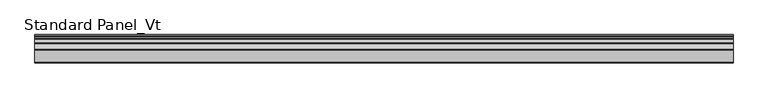
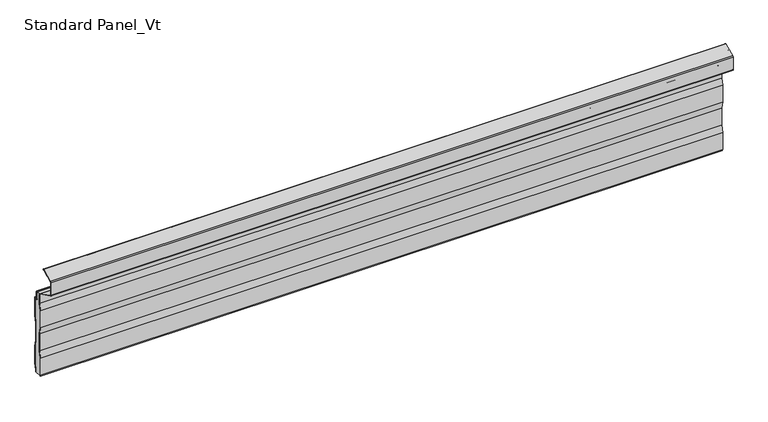
"""IFC4 building model written with IfcOpenShell, lengths in millimetres: proxy geometry, Standard Panel_Vt."""

from ifc_helpers import new_model, si_unit, point, frame, frame_2d, origin, place, context, project, spatial, polyline, circle_curve, trimmed, segment, composite_curve, outline, extrude, source, transform, mapped, element, save
from ifc_brep_helpers import plane_surface, cylinder_surface, revolved_surface, advanced_brep


def standard_panel_vt_19aaffb3(model_context):
    return source(origin(), model_context, "Body", "SolidModel", [
        extrude(outline(composite_curve([segment(polyline([(-20.0, 2.6758967), (-19.5491903, 0.0), (-20.3604638, 0.0), (-20.8, 2.60898), (-20.8, 40.8180247), (-18.3, 55.6574178), (-18.3, 93.7695869), (-20.8, 108.60898), (-20.8, 146.8180247), (-18.3, 161.6574178), (-18.3, 181.8040392)]), True, "CONTINUOUS"), segment(trimmed(circle_curve(frame_2d((-20.6, 181.8040392)), 2.3), [point((-18.3, 181.8040392))], [point((-19.5733338, 183.8621832))], True, "CARTESIAN"), True, "CONTINUOUS"), segment(polyline([(-19.5733338, 183.8621832), (-58.0679093, 203.0644748)]), True, "CONTINUOUS"), segment(trimmed(circle_curve(frame_2d((-57.041243, 205.1226188)), 2.3), [point((-58.0679093, 203.0644748))], [point((-59.341243, 205.1226188))], False, "CARTESIAN"), True, "CONTINUOUS"), segment(polyline([(-59.341243, 205.1226188), (-59.341243, 233.2773812)]), True, "CONTINUOUS"), segment(trimmed(circle_curve(frame_2d((-57.041243, 233.2773812)), 2.3), [point((-59.341243, 233.2773812))], [point((-58.0688066, 235.3350773))], False, "CARTESIAN"), True, "CONTINUOUS"), segment(polyline([(-58.0688066, 235.3350773), (-33.2174495, 247.7452431)]), True, "CONTINUOUS"), segment(trimmed(circle_curve(frame_2d((-32.8600361, 247.0295227)), 0.8), [point((-33.2174495, 247.7452431))], [point((-32.5026227, 246.3138024))], False, "CARTESIAN"), True, "CONTINUOUS"), segment(polyline([(-32.5026227, 246.3138024), (-45.2066593, 239.9697142), (-45.5640727, 240.6854346), (-57.7113932, 234.6193569)]), True, "CONTINUOUS"), segment(trimmed(circle_curve(frame_2d((-57.041243, 233.2773812)), 1.5), [point((-57.7113932, 234.6193569))], [point((-58.541243, 233.2773812))], True, "CARTESIAN"), True, "CONTINUOUS"), segment(polyline([(-58.541243, 233.2773812), (-58.541243, 205.1226188)]), True, "CONTINUOUS"), segment(trimmed(circle_curve(frame_2d((-57.041243, 205.1226188)), 1.5), [point((-58.541243, 205.1226188))], [point((-57.710808, 203.780351))], True, "CARTESIAN"), True, "CONTINUOUS"), segment(polyline([(-57.710808, 203.780351), (-19.2162325, 184.5780593)]), True, "CONTINUOUS"), segment(trimmed(circle_curve(frame_2d((-20.6, 181.8040392)), 3.1), [point((-19.2162325, 184.5780593))], [point((-17.5, 181.8040392))], False, "CARTESIAN"), True, "CONTINUOUS"), segment(polyline([(-17.5, 181.8040392), (-17.5, 161.5905011), (-20.0, 146.751108), (-20.0, 108.6758967), (-17.5, 93.8365036), (-17.5, 55.5905011), (-20.0, 40.751108), (-20.0, 2.6758967)]), True, "CONTINUOUS")], self_intersect=False)), frame((-723.9042608, 0.0, 0.0), z_axis=(1.0, 0.0, 0.0), x_axis=(0.0, 1.0, 0.0)), (0.0, 0.0, 1.0), 1447.8085217),
        extrude(outline(composite_curve([segment(polyline([(-3.3, 3.6266429), (-3.3, 0.0), (-4.1, 0.0), (-4.1, 3.6928529), (-1.6, 18.6928529), (-1.6, 56.5604329), (-4.1, 71.5604329), (-4.1, 109.6928529), (-1.6, 124.6928529), (-1.6, 165.8009611), (-4.1204106, 164.1655843)]), True, "CONTINUOUS"), segment(trimmed(circle_curve(frame_2d((-5.1001721, 165.6755735)), 1.8), [point((-4.1204106, 164.1655843))], [point((-6.9001721, 165.6755735))], False, "CARTESIAN"), True, "CONTINUOUS"), segment(polyline([(-6.9001721, 165.6755735), (-6.9001721, 181.2616436)]), True, "CONTINUOUS"), segment(trimmed(circle_curve(frame_2d((-8.2001714, 181.2616436)), 1.2999993), [point((-6.9001721, 181.2616436))], [point((-8.2001714, 182.5616429))], True, "CARTESIAN"), True, "CONTINUOUS"), segment(polyline([(-8.2001714, 182.5616429), (-10.2001722, 182.5616429), (-10.2001722, 183.3616429), (-8.2001714, 183.3616429)]), True, "CONTINUOUS"), segment(trimmed(circle_curve(frame_2d((-8.2001714, 181.2616436)), 2.0999993), [point((-8.2001714, 183.3616429))], [point((-6.1001721, 181.2616436))], False, "CARTESIAN"), True, "CONTINUOUS"), segment(polyline([(-6.1001721, 181.2616436), (-6.1001721, 165.6755735)]), True, "CONTINUOUS"), segment(trimmed(circle_curve(frame_2d((-5.1001721, 165.6755735)), 1.0), [point((-6.1001721, 165.6755735))], [point((-4.5558601, 164.8366906))], True, "CARTESIAN"), True, "CONTINUOUS"), segment(polyline([(-4.5558601, 164.8366906), (-2.3443119, 166.271661)]), True, "CONTINUOUS"), segment(trimmed(circle_curve(frame_2d((-1.8, 165.4327781)), 1.0), [point((-2.3443119, 166.271661))], [point((-0.8, 165.4327781))], False, "CARTESIAN"), True, "CONTINUOUS"), segment(polyline([(-0.8, 165.4327781), (-0.8, 124.6266429), (-3.3, 109.6266429), (-3.3, 71.6266429), (-0.8, 56.6266429), (-0.8, 18.6266429), (-3.3, 3.6266429)]), True, "CONTINUOUS")], self_intersect=False)), frame((-723.9042608, 0.0, 0.0), z_axis=(1.0, 0.0, 0.0), x_axis=(0.0, 1.0, 0.0)), (0.0, 0.0, 1.0), 1447.8085217),
        advanced_brep(
        [(-723.9042608, -17.9622719, 183.4326554), (-723.9042608, -10.2001722, 183.4), (-723.9042608, -10.2001722, 182.5616429), (-723.9042608, -8.2001714, 182.5616429), (-723.9042608, -6.9001721, 181.2616436), (-723.9042608, -6.9001721, 165.6755735), (-723.9042608, -4.1204106, 164.1655843), (-723.9042608, -1.6, 165.8009611), (-723.9042608, -1.6, 124.6928529), (-723.9042608, -4.1, 109.6928529), (-723.9042608, -4.1, 71.5604329), (-723.9042608, -1.6, 56.5604329), (-723.9042608, -1.6, 18.6928529), (-723.9042608, -4.1, 3.6928529), (-723.9042608, -4.1, 0.0), (-723.9042608, -19.5491903, 0.0), (-723.9042608, -20.0, 2.6758967), (-723.9042608, -20.0, 40.751108), (-723.9042608, -17.5, 55.5905011), (-723.9042608, -17.5, 93.8365036), (-723.9042608, -20.0, 108.6758967), (-723.9042608, -20.0, 146.751108), (-723.9042608, -17.5, 161.5905011), (-723.9042608, -17.5, 181.8040392), (723.9042608, -20.0, 2.6758967), (723.9042608, -19.5491903, 0.0), (723.9042608, -4.1, 0.0), (723.9042608, -4.1, 3.6928529), (723.9042608, -1.6, 18.6928529), (723.9042608, -1.6, 56.5604329), (723.9042608, -4.1, 71.5604329), (723.9042608, -4.1, 109.6928529), (723.9042608, -1.6, 124.6928529), (723.9042608, -1.6, 165.8009611), (723.9042608, -4.1204106, 164.1655843), (723.9042608, -6.9001721, 165.6755735), (723.9042608, -6.9001721, 181.2616436), (723.9042608, -8.2001714, 182.5616429), (723.9042608, -10.2001722, 182.5616429), (723.9042608, -10.2001722, 183.4), (723.9042608, -17.9622719, 183.4326554), (723.9042608, -17.5, 181.8040392), (723.9042608, -17.5, 161.5905011), (723.9042608, -20.0, 146.751108), (723.9042608, -20.0, 108.6758967), (723.9042608, -17.5, 93.8365036), (723.9042608, -17.5, 55.5905011), (723.9042608, -20.0, 40.751108)],
        [
            (0, 1),
            (1, 2),
            (2, 3),
            (3, 4, circle_curve(frame((-723.9042608, -8.2001714, 181.2616436), z_axis=(-1.0, 0.0, 0.0), x_axis=(0.0, 0.0, -1.0)), 1.2999993)),
            (4, 5),
            (5, 6, circle_curve(frame((-723.9042608, -5.1001721, 165.6755735), z_axis=(1.0, 0.0, 0.0), x_axis=(0.0, 0.0, -1.0)), 1.8)),
            (6, 7),
            (7, 8),
            (8, 9),
            (9, 10),
            (10, 11),
            (11, 12),
            (12, 13),
            (13, 14),
            (14, 15),
            (15, 16),
            (16, 17),
            (17, 18),
            (18, 19),
            (19, 20),
            (20, 21),
            (21, 22),
            (22, 23),
            (23, 0, circle_curve(frame((-723.9042608, -20.6, 181.8040392), z_axis=(1.0, 0.0, 0.0), x_axis=(0.0, 0.0, -1.0)), 3.1)),
            (24, 25),
            (25, 26),
            (26, 27),
            (27, 28),
            (28, 29),
            (29, 30),
            (30, 31),
            (31, 32),
            (32, 33),
            (33, 34),
            (34, 35, circle_curve(frame((723.9042608, -5.1001721, 165.6755735), z_axis=(-1.0, 0.0, 0.0), x_axis=(0.0, 0.0, -1.0)), 1.8)),
            (35, 36),
            (36, 37, circle_curve(frame((723.9042608, -8.2001714, 181.2616436), z_axis=(1.0, 0.0, 0.0), x_axis=(0.0, 0.0, -1.0)), 1.2999993)),
            (37, 38),
            (38, 39),
            (39, 40),
            (40, 41, circle_curve(frame((723.9042608, -20.6, 181.8040392), z_axis=(-1.0, 0.0, 0.0), x_axis=(0.0, 0.0, -1.0)), 3.1)),
            (41, 42),
            (42, 43),
            (43, 44),
            (44, 45),
            (45, 46),
            (46, 47),
            (47, 24),
            (23, 41),
            (40, 0),
            (22, 42),
            (21, 43),
            (20, 44),
            (19, 45),
            (18, 46),
            (17, 47),
            (16, 24),
            (15, 25),
            (38, 2),
            (1, 39),
            (26, 14),
            (13, 27),
            (12, 28),
            (11, 29),
            (10, 30),
            (9, 31),
            (8, 32),
            (7, 33),
            (6, 34),
            (5, 35),
            (4, 36),
            (3, 37),
        ],
        [
            plane_surface(frame((-723.9042608, -20.0, -280.8), z_axis=(-1.0, 0.0, 0.0), x_axis=(0.0, 1.0, 0.0))),
            plane_surface(frame((723.9042608, -20.0, -280.8), z_axis=(1.0, 0.0, 0.0), x_axis=(0.0, 1.0, 0.0))),
            revolved_surface(polyline([(723.9042608, -20.6, 178.7040392), (-723.9042608, -20.6, 178.7040392)]), (-723.9042608, -20.6, 181.8040392), (1.0, 0.0, 0.0)),
            plane_surface(frame((-723.9042608, -17.5, 181.8040392), z_axis=(0.0, -1.0, 0.0), x_axis=(1.0, 0.0, 0.0))),
            plane_surface(frame((-723.9042608, -17.5, 161.5905011), z_axis=(0.0, -0.9861039564577478, 0.16612942863435207), x_axis=(1.0, 0.0, 0.0))),
            plane_surface(frame((-723.9042608, -20.0, 146.751108), z_axis=(0.0, -1.0, 0.0), x_axis=(1.0, 0.0, 0.0))),
            plane_surface(frame((-723.9042608, -20.0, 108.6758967), z_axis=(0.0, -0.986103956457715, -0.16612942863454708), x_axis=(1.0, 0.0, 0.0))),
            plane_surface(frame((-723.9042608, -17.5, 93.8365036), z_axis=(0.0, -1.0, 0.0), x_axis=(1.0, 0.0, 0.0))),
            plane_surface(frame((-723.9042608, -17.5, 55.5905011), z_axis=(0.0, -0.9861039564577201, 0.1661294286345171), x_axis=(1.0, 0.0, 0.0))),
            plane_surface(frame((-723.9042608, -20.0, 40.751108), z_axis=(0.0, -1.0, 0.0), x_axis=(1.0, 0.0, 0.0))),
            plane_surface(frame((-723.9042608, -20.0, 2.6758967), z_axis=(0.0, -0.986103956457715, -0.16612942863454708), x_axis=(1.0, 0.0, 0.0))),
            plane_surface(frame((723.9042608, -10.2001722, 183.4), z_axis=(0.0, 1.0, 0.0), x_axis=(-1.0, 0.0, 0.0))),
            plane_surface(frame((-723.9042608, -4.1, -34.4395671), z_axis=(0.0, 1.0, 0.0), x_axis=(1.0, 0.0, 0.0))),
            plane_surface(frame((-723.9042608, -4.1, 3.6928529), z_axis=(0.0, 0.9863939238321462, -0.1643989873053435), x_axis=(1.0, 0.0, 0.0))),
            plane_surface(frame((-723.9042608, -1.6, 18.6928529), z_axis=(0.0, 1.0, 0.0), x_axis=(1.0, 0.0, 0.0))),
            plane_surface(frame((-723.9042608, -1.6, 56.5604329), z_axis=(0.0, 0.9863939238321415, 0.16439898730537109), x_axis=(1.0, 0.0, 0.0))),
            plane_surface(frame((-723.9042608, -4.1, 71.5604329), z_axis=(0.0, 1.0, 0.0), x_axis=(1.0, 0.0, 0.0))),
            plane_surface(frame((-723.9042608, -4.1, 109.6928529), z_axis=(0.0, 0.9863939238321769, -0.16439898730515876), x_axis=(1.0, 0.0, 0.0))),
            plane_surface(frame((-723.9042608, -1.6, 124.6928529), z_axis=(0.0, 1.0, 0.0), x_axis=(1.0, 0.0, 0.0))),
            plane_surface(frame((-723.9042608, -1.6, 165.8009611), z_axis=(0.0, -0.5443119480359504, 0.8388828900539747), x_axis=(1.0, 0.0, 0.0))),
            revolved_surface(polyline([(723.9042608, -5.1001721, 163.8755735), (-723.9042608, -5.1001721, 163.8755735)]), (-723.9042608, -5.1001721, 165.6755735), (1.0, 0.0, 0.0)),
            plane_surface(frame((-723.9042608, -6.9001721, 165.6755735), z_axis=(0.0, 1.0, 0.0), x_axis=(1.0, 0.0, 0.0))),
            cylinder_surface(frame((-723.9042608, -8.2001714, 181.2616436), z_axis=(-1.0, 0.0, 0.0), x_axis=(0.0, 0.0, -1.0)), 1.2999993),
            plane_surface(frame((-723.9042608, -8.2001714, 182.5616429), z_axis=(0.0, 0.0, 1.0), x_axis=(1.0, 0.0, 0.0))),
            plane_surface(frame((723.9042608, -120.0, 0.0), z_axis=(0.0, 0.0, -1.0), x_axis=(-1.0, 0.0, 0.0))),
            plane_surface(frame((-723.9042608, -15.05, 183.4326554), z_axis=(0.0, 0.0, 1.0), x_axis=(1.0, 0.0, 0.0))),
        ],
        [
            (0, [[1, 2, 3, 4, 5, 6, 7, 8, 9, 10, 11, 12, 13, 14, 15, 16, 17, 18, 19, 20, 21, 22, 23, 24]]),
            (1, [[25, 26, 27, 28, 29, 30, 31, 32, 33, 34, 35, 36, 37, 38, 39, 40, 41, 42, 43, 44, 45, 46, 47, 48]]),
            (2, [[49, -41, 50, -24]]),
            (3, [[51, -42, -49, -23]]),
            (4, [[52, -43, -51, -22]]),
            (5, [[53, -44, -52, -21]]),
            (6, [[54, -45, -53, -20]]),
            (7, [[55, -46, -54, -19]]),
            (8, [[56, -47, -55, -18]]),
            (9, [[57, -48, -56, -17]]),
            (10, [[-16, 58, -25, -57]]),
            (11, [[-39, 59, -2, 60]]),
            (12, [[-27, 61, -14, 62]]),
            (13, [[63, -28, -62, -13]]),
            (14, [[64, -29, -63, -12]]),
            (15, [[65, -30, -64, -11]]),
            (16, [[66, -31, -65, -10]]),
            (17, [[67, -32, -66, -9]]),
            (18, [[68, -33, -67, -8]]),
            (19, [[69, -34, -68, -7]]),
            (20, [[70, -35, -69, -6]]),
            (21, [[71, -36, -70, -5]]),
            (22, [[72, -37, -71, -4]]),
            (23, [[-59, -38, -72, -3]]),
            (24, [[-61, -26, -58, -15]]),
            (25, [[-40, -60, -1, -50]]),
        ],
    ),
    ])


if __name__ == "__main__":
    model = new_model("IFC4")
    model_context = context("Model", 3, world=origin())
    ifc_project = project(units=[si_unit("LENGTHUNIT", "METRE", prefix="MILLI")], contexts=[model_context])
    site = spatial("IfcSite", under=ifc_project)
    building = spatial("IfcBuilding", under=site)
    placement = place(None, origin())
    standard_panel_vt_shape = standard_panel_vt_19aaffb3(model_context)
    element("IfcBuildingElementProxy", 1, Name="Standard Panel_Vt", ObjectType="Standard Panel_Vt", at=placement, inside=building, context=model_context, shape_type="MappedRepresentation", body=[
        mapped(standard_panel_vt_shape, transform((0.0, 0.0, 0.0), x_axis=(1.0, 0.0, 0.0), y_axis=(0.0, 1.0, 0.0), z_axis=(0.0, 0.0, 1.0))),
    ])
    save(model, "model.ifc")
